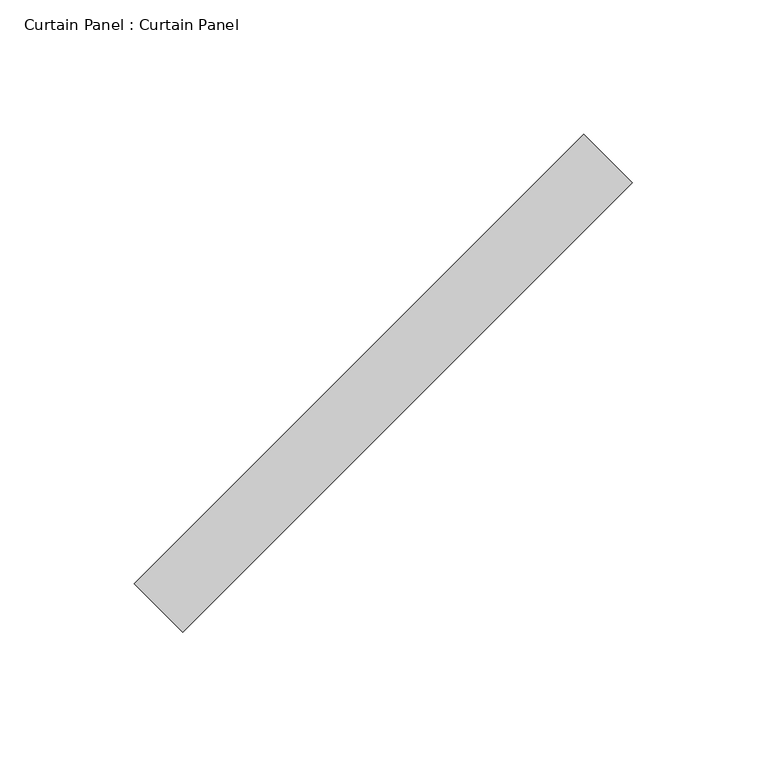
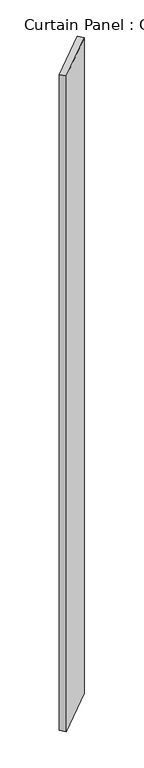
"""IFC4 building model written with IfcOpenShell, lengths in millimetres: plate geometry, Curtain Panel : Curtain Panel."""

from ifc_helpers import new_model, si_unit, frame, origin, place, context, project, spatial, polyline, outline, extrude, source, transform, mapped, element, save


def curtain_panel_curtain_panel_f6f8191e(model_context):
    return source(origin(), model_context, "Body", "SweptSolid", [
        extrude(outline(polyline([(-4460.7639454, 1898.3823989), (-4627.8435908, 1731.3027535), (-4645.804103, 1749.2632658), (-4478.7244576, 1916.3429112), (-4460.7639454, 1898.3823989)])), frame((0.0, 0.0, -680.0975461), z_axis=(0.0, 0.0, 1.0), x_axis=(1.0, 0.0, 0.0)), (0.0, 0.0, 1.0), 2743.2),
    ])


if __name__ == "__main__":
    model = new_model("IFC4")
    model_context = context("Model", 3, world=origin())
    ifc_project = project(units=[si_unit("LENGTHUNIT", "METRE", prefix="MILLI")], contexts=[model_context])
    site = spatial("IfcSite", under=ifc_project)
    building = spatial("IfcBuilding", under=site)
    placement = place(None, origin())
    curtain_panel_curtain_panel_shape = curtain_panel_curtain_panel_f6f8191e(model_context)
    element("IfcPlate", 1, ObjectType="Curtain Panel : Curtain Panel", at=placement, inside=building, context=model_context, shape_type="MappedRepresentation", body=[
        mapped(curtain_panel_curtain_panel_shape, transform((0.0, 0.0, 0.0), x_axis=(1.0, 0.0, 0.0), y_axis=(0.0, 1.0, 0.0), z_axis=(0.0, 0.0, 1.0))),
    ])
    save(model, "model.ifc")
